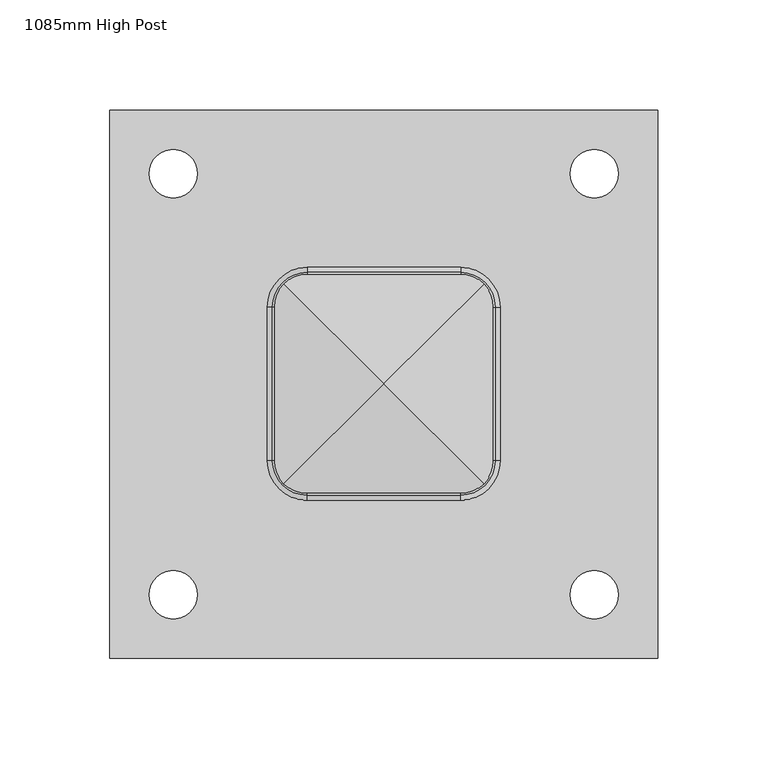
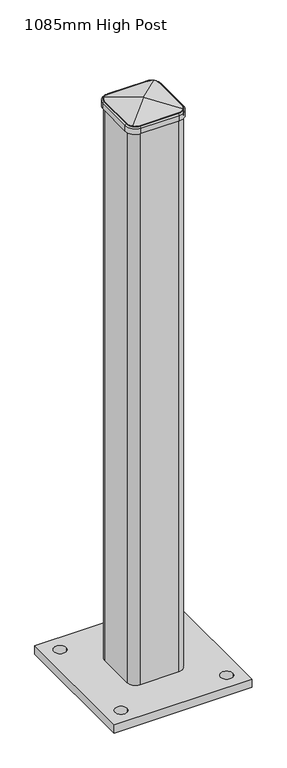
"""IFC4 building model written with IfcOpenShell, lengths in millimetres: proxy geometry, 1085mm High Post."""

from ifc_helpers import new_model, si_unit, point, frame, origin, place, context, project, spatial, polyline, circle_curve, ellipse_curve, trimmed, source, transform, mapped, element, save
from ifc_brep_helpers import plane_surface, cylinder_surface, revolved_surface, advanced_brep


def proxy_1085mm_high_post_5b782884(model_context):
    return source(origin(), model_context, "Body", "AdvancedBrep", [
        advanced_brep(
        [(125.0, 125.0, 16.0), (-125.0, 125.0, 16.0), (-125.0, -125.0, 16.0), (125.0, -125.0, 16.0), (-107.0, 96.0, 16.0), (-85.0, 96.0, 16.0), (-107.0, -96.0, 16.0), (-85.0, -96.0, 16.0), (85.0, 96.0, 16.0), (107.0, 96.0, 16.0), (85.0, -96.0, 16.0), (107.0, -96.0, 16.0), (-35.0, 50.0, 16.0), (35.0, 50.0, 16.0), (50.0, 35.0, 16.0), (50.0, -35.0, 16.0), (35.0, -50.0, 16.0), (-35.0, -50.0, 16.0), (-50.0, -35.0, 16.0), (-50.0, 35.0, 16.0), (44.0, 35.0, 16.0), (35.0, 44.0, 16.0), (-35.0, 44.0, 16.0), (-44.0, 35.0, 16.0), (-44.0, -35.0, 16.0), (-35.0, -44.0, 16.0), (35.0, -44.0, 16.0), (44.0, -35.0, 16.0), (125.0, 125.0, 0.0), (125.0, -125.0, 0.0), (-125.0, -125.0, 0.0), (-125.0, 125.0, 0.0), (-107.0, 96.0, 0.0), (-85.0, 96.0, 0.0), (-107.0, -96.0, 0.0), (-85.0, -96.0, 0.0), (85.0, 96.0, 0.0), (107.0, 96.0, 0.0), (85.0, -96.0, 0.0), (107.0, -96.0, 0.0), (35.0, 50.0, 1085.0), (-35.0, 50.0, 1085.0), (-50.0, 35.0, 1085.0), (-50.0, -35.0, 1085.0), (-35.0, -50.0, 1085.0), (35.0, -50.0, 1085.0), (50.0, -35.0, 1085.0), (50.0, 35.0, 1085.0), (35.0, 44.0, 1085.0), (44.0, 35.0, 1085.0), (44.0, -35.0, 1085.0), (35.0, -44.0, 1085.0), (-35.0, -44.0, 1085.0), (-44.0, -35.0, 1085.0), (-44.0, 35.0, 1085.0), (-35.0, 44.0, 1085.0)],
        [
            (0, 1),
            (1, 2),
            (2, 3),
            (3, 0),
            (4, 5, circle_curve(frame((-96.0, 96.0, 16.0), z_axis=(0.0, 0.0, -1.0), x_axis=(1.0, 0.0, 0.0)), 11.0)),
            (5, 4, circle_curve(frame((-96.0, 96.0, 16.0), z_axis=(0.0, 0.0, -1.0), x_axis=(1.0, 0.0, 0.0)), 11.0)),
            (6, 7, circle_curve(frame((-96.0, -96.0, 16.0), z_axis=(0.0, 0.0, -1.0), x_axis=(1.0, 0.0, 0.0)), 11.0)),
            (7, 6, circle_curve(frame((-96.0, -96.0, 16.0), z_axis=(0.0, 0.0, -1.0), x_axis=(1.0, 0.0, 0.0)), 11.0)),
            (8, 9, circle_curve(frame((96.0, 96.0, 16.0), z_axis=(0.0, 0.0, -1.0), x_axis=(1.0, 0.0, 0.0)), 11.0)),
            (9, 8, circle_curve(frame((96.0, 96.0, 16.0), z_axis=(0.0, 0.0, -1.0), x_axis=(1.0, 0.0, 0.0)), 11.0)),
            (10, 11, circle_curve(frame((96.0, -96.0, 16.0), z_axis=(0.0, 0.0, -1.0), x_axis=(1.0, 0.0, 0.0)), 11.0)),
            (11, 10, circle_curve(frame((96.0, -96.0, 16.0), z_axis=(0.0, 0.0, -1.0), x_axis=(1.0, 0.0, 0.0)), 11.0)),
            (12, 13),
            (13, 14, circle_curve(frame((35.0, 35.0, 16.0), z_axis=(0.0, 0.0, -1.0), x_axis=(-1.0, 0.0, 0.0)), 15.0)),
            (14, 15),
            (15, 16, circle_curve(frame((35.0, -35.0, 16.0), z_axis=(0.0, 0.0, -1.0), x_axis=(-1.0, 0.0, 0.0)), 15.0)),
            (16, 17),
            (17, 18, circle_curve(frame((-35.0, -35.0, 16.0), z_axis=(0.0, 0.0, -1.0), x_axis=(-1.0, 0.0, 0.0)), 15.0)),
            (18, 19),
            (19, 12, circle_curve(frame((-35.0, 35.0, 16.0), z_axis=(0.0, 0.0, -1.0), x_axis=(-1.0, 0.0, 0.0)), 15.0)),
            (20, 21, circle_curve(frame((35.0, 35.0, 16.0), z_axis=(0.0, 0.0, 1.0), x_axis=(-1.0, 0.0, 0.0)), 9.0)),
            (21, 22),
            (22, 23, circle_curve(frame((-35.0, 35.0, 16.0), z_axis=(0.0, 0.0, 1.0), x_axis=(-1.0, 0.0, 0.0)), 9.0)),
            (23, 24),
            (24, 25, circle_curve(frame((-35.0, -35.0, 16.0), z_axis=(0.0, 0.0, 1.0), x_axis=(-1.0, 0.0, 0.0)), 9.0)),
            (25, 26),
            (26, 27, circle_curve(frame((35.0, -35.0, 16.0), z_axis=(0.0, 0.0, 1.0), x_axis=(-1.0, 0.0, 0.0)), 9.0)),
            (27, 20),
            (28, 29),
            (29, 30),
            (30, 31),
            (31, 28),
            (32, 33, circle_curve(frame((-96.0, 96.0, 0.0), z_axis=(0.0, 0.0, 1.0), x_axis=(1.0, 0.0, 0.0)), 11.0)),
            (33, 32, circle_curve(frame((-96.0, 96.0, 0.0), z_axis=(0.0, 0.0, 1.0), x_axis=(1.0, 0.0, 0.0)), 11.0)),
            (34, 35, circle_curve(frame((-96.0, -96.0, 0.0), z_axis=(0.0, 0.0, 1.0), x_axis=(1.0, 0.0, 0.0)), 11.0)),
            (35, 34, circle_curve(frame((-96.0, -96.0, 0.0), z_axis=(0.0, 0.0, 1.0), x_axis=(1.0, 0.0, 0.0)), 11.0)),
            (36, 37, circle_curve(frame((96.0, 96.0, 0.0), z_axis=(0.0, 0.0, 1.0), x_axis=(1.0, 0.0, 0.0)), 11.0)),
            (37, 36, circle_curve(frame((96.0, 96.0, 0.0), z_axis=(0.0, 0.0, 1.0), x_axis=(1.0, 0.0, 0.0)), 11.0)),
            (38, 39, circle_curve(frame((96.0, -96.0, 0.0), z_axis=(0.0, 0.0, 1.0), x_axis=(1.0, 0.0, 0.0)), 11.0)),
            (39, 38, circle_curve(frame((96.0, -96.0, 0.0), z_axis=(0.0, 0.0, 1.0), x_axis=(1.0, 0.0, 0.0)), 11.0)),
            (0, 28),
            (31, 1),
            (30, 2),
            (29, 3),
            (4, 32),
            (33, 5),
            (6, 34),
            (35, 7),
            (8, 36),
            (37, 9),
            (10, 38),
            (39, 11),
            (40, 41),
            (41, 42, circle_curve(frame((-35.0, 35.0, 1085.0), z_axis=(0.0, 0.0, 1.0), x_axis=(-1.0, 0.0, 0.0)), 15.0)),
            (42, 43),
            (43, 44, circle_curve(frame((-35.0, -35.0, 1085.0), z_axis=(0.0, 0.0, 1.0), x_axis=(-1.0, 0.0, 0.0)), 15.0)),
            (44, 45),
            (45, 46, circle_curve(frame((35.0, -35.0, 1085.0), z_axis=(0.0, 0.0, 1.0), x_axis=(-1.0, 0.0, 0.0)), 15.0)),
            (46, 47),
            (47, 40, circle_curve(frame((35.0, 35.0, 1085.0), z_axis=(0.0, 0.0, 1.0), x_axis=(-1.0, 0.0, 0.0)), 15.0)),
            (48, 49, circle_curve(frame((35.0, 35.0, 1085.0), z_axis=(0.0, 0.0, -1.0), x_axis=(-1.0, 0.0, 0.0)), 9.0)),
            (49, 50),
            (50, 51, circle_curve(frame((35.0, -35.0, 1085.0), z_axis=(0.0, 0.0, -1.0), x_axis=(-1.0, 0.0, 0.0)), 9.0)),
            (51, 52),
            (52, 53, circle_curve(frame((-35.0, -35.0, 1085.0), z_axis=(0.0, 0.0, -1.0), x_axis=(-1.0, 0.0, 0.0)), 9.0)),
            (53, 54),
            (54, 55, circle_curve(frame((-35.0, 35.0, 1085.0), z_axis=(0.0, 0.0, -1.0), x_axis=(-1.0, 0.0, 0.0)), 9.0)),
            (55, 48),
            (40, 13),
            (12, 41),
            (19, 42),
            (18, 43),
            (17, 44),
            (16, 45),
            (15, 46),
            (14, 47),
            (48, 21),
            (20, 49),
            (27, 50),
            (26, 51),
            (25, 52),
            (24, 53),
            (23, 54),
            (22, 55),
        ],
        [
            plane_surface(frame((-312.0572043, 125.0, 16.0), z_axis=(0.0, 0.0, 1.0), x_axis=(-1.0, 0.0, 0.0))),
            plane_surface(frame((-312.0572043, 125.0, 0.0), z_axis=(0.0, 0.0, -1.0), x_axis=(1.0, 0.0, 0.0))),
            plane_surface(frame((125.0, 125.0, 16.0), z_axis=(0.0, 1.0, 0.0), x_axis=(0.0, 0.0, -1.0))),
            plane_surface(frame((-125.0, 125.0, 16.0), z_axis=(-1.0, 0.0, 0.0), x_axis=(0.0, 0.0, -1.0))),
            plane_surface(frame((-125.0, -125.0, 16.0), z_axis=(0.0, -1.0, 0.0), x_axis=(0.0, 0.0, -1.0))),
            plane_surface(frame((125.0, -125.0, 16.0), z_axis=(1.0, 0.0, 0.0), x_axis=(0.0, 0.0, -1.0))),
            revolved_surface(polyline([(-85.0, 96.0, 0.0), (-85.0, 96.0, 16.0)]), (-96.0, 96.0, 0.0), (0.0, 0.0, -1.0)),
            revolved_surface(polyline([(-85.0, -96.0, 0.0), (-85.0, -96.0, 16.0)]), (-96.0, -96.0, 0.0), (0.0, 0.0, -1.0)),
            revolved_surface(polyline([(107.0, 96.0, 0.0), (107.0, 96.0, 16.0)]), (96.0, 96.0, 0.0), (0.0, 0.0, -1.0)),
            revolved_surface(polyline([(107.0, -96.0, 0.0), (107.0, -96.0, 16.0)]), (96.0, -96.0, 0.0), (0.0, 0.0, -1.0)),
            plane_surface(frame((-312.0572043, 50.0, 1085.0), z_axis=(0.0, 0.0, 1.0), x_axis=(-1.0, 0.0, 0.0))),
            plane_surface(frame((35.0, 50.0, 1085.0), z_axis=(0.0, 1.0, 0.0), x_axis=(0.0, 0.0, -1.0))),
            cylinder_surface(frame((-35.0, 35.0, 16.0), z_axis=(0.0, 0.0, 1.0), x_axis=(-1.0, 0.0, 0.0)), 15.0),
            plane_surface(frame((-50.0, 35.0, 1085.0), z_axis=(-1.0, 0.0, 0.0), x_axis=(0.0, 0.0, -1.0))),
            cylinder_surface(frame((-35.0, -35.0, 16.0), z_axis=(0.0, 0.0, 1.0), x_axis=(-1.0, 0.0, 0.0)), 15.0),
            plane_surface(frame((-35.0, -50.0, 1085.0), z_axis=(0.0, -1.0, 0.0), x_axis=(0.0, 0.0, -1.0))),
            cylinder_surface(frame((35.0, -35.0, 16.0), z_axis=(0.0, 0.0, 1.0), x_axis=(-1.0, 0.0, 0.0)), 15.0),
            plane_surface(frame((50.0, -35.0, 1085.0), z_axis=(1.0, 0.0, 0.0), x_axis=(0.0, 0.0, -1.0))),
            cylinder_surface(frame((35.0, 35.0, 16.0), z_axis=(0.0, 0.0, 1.0), x_axis=(-1.0, 0.0, 0.0)), 15.0),
            revolved_surface(polyline([(26.0, 35.0, 16.0), (26.0, 35.0, 1085.0)]), (35.0, 35.0, 16.0), (0.0, 0.0, -1.0)),
            plane_surface(frame((44.0, 35.0, 1085.0), z_axis=(-1.0, 0.0, 0.0), x_axis=(0.0, 0.0, -1.0))),
            revolved_surface(polyline([(26.0, -35.0, 16.0), (26.0, -35.0, 1085.0)]), (35.0, -35.0, 16.0), (0.0, 0.0, -1.0)),
            plane_surface(frame((35.0, -44.0, 1085.0), z_axis=(0.0, 1.0, 0.0), x_axis=(0.0, 0.0, -1.0))),
            revolved_surface(polyline([(-44.0, -35.0, 16.0), (-44.0, -35.0, 1085.0)]), (-35.0, -35.0, 16.0), (0.0, 0.0, -1.0)),
            plane_surface(frame((-44.0, -35.0, 1085.0), z_axis=(1.0, 0.0, 0.0), x_axis=(0.0, 0.0, -1.0))),
            revolved_surface(polyline([(-44.0, 35.0, 16.0), (-44.0, 35.0, 1085.0)]), (-35.0, 35.0, 16.0), (0.0, 0.0, -1.0)),
            plane_surface(frame((-35.0, 44.0, 1085.0), z_axis=(0.0, -1.0, 0.0), x_axis=(0.0, 0.0, -1.0))),
        ],
        [
            (0, [[1, 2, 3, 4], [5, 6], [7, 8], [9, 10], [11, 12], [13, 14, 15, 16, 17, 18, 19, 20]]),
            (0, [[21, 22, 23, 24, 25, 26, 27, 28]]),
            (1, [[29, 30, 31, 32], [33, 34], [35, 36], [37, 38], [39, 40]]),
            (2, [[-1, 41, -32, 42]]),
            (3, [[-2, -42, -31, 43]]),
            (4, [[-3, -43, -30, 44]]),
            (5, [[-4, -44, -29, -41]]),
            (6, [[-5, 45, -34, 46]]),
            (6, [[-6, -46, -33, -45]]),
            (7, [[-7, 47, -36, 48]]),
            (7, [[-8, -48, -35, -47]]),
            (8, [[-9, 49, -38, 50]]),
            (8, [[-10, -50, -37, -49]]),
            (9, [[-11, 51, -40, 52]]),
            (9, [[-12, -52, -39, -51]]),
            (10, [[53, 54, 55, 56, 57, 58, 59, 60], [61, 62, 63, 64, 65, 66, 67, 68]]),
            (11, [[-53, 69, -13, 70]]),
            (12, [[-54, -70, -20, 71]]),
            (13, [[-55, -71, -19, 72]]),
            (14, [[-56, -72, -18, 73]]),
            (15, [[-57, -73, -17, 74]]),
            (16, [[-58, -74, -16, 75]]),
            (17, [[-59, -75, -15, 76]]),
            (18, [[-60, -76, -14, -69]]),
            (19, [[-61, 77, -21, 78]]),
            (20, [[-62, -78, -28, 79]]),
            (21, [[-63, -79, -27, 80]]),
            (22, [[-64, -80, -26, 81]]),
            (23, [[-65, -81, -25, 82]]),
            (24, [[-66, -82, -24, 83]]),
            (25, [[-67, -83, -23, 84]]),
            (26, [[-68, -84, -22, -77]]),
        ],
    ),
        advanced_brep(
        [(35.0, -50.0, 1088.0849886), (50.0, -35.0, 1088.0849886), (50.0, -35.0, 1075.0), (35.0, -50.0, 1075.0), (35.0, -53.0701411, 1075.0), (53.0701411, -35.0, 1075.0), (53.0701411, -35.0, 1084.9827329), (35.0, -53.0701411, 1084.9827329), (-35.0, -50.0, 1075.0), (-35.0, -50.0, 1088.0849886), (-35.0, -53.0701411, 1084.9827329), (-35.0, -53.0701411, 1075.0), (-50.0, -35.0, 1088.0849886), (-50.0, -35.0, 1075.0), (-53.0701411, -35.0, 1075.0), (-53.0701411, -35.0, 1084.9827329), (-50.0, 35.0, 1075.0), (-50.0, 35.0, 1088.0849886), (-53.0701411, 35.0, 1084.9827329), (-53.0701411, 35.0, 1075.0), (-35.0, 50.0, 1088.0849886), (-35.0, 50.0, 1075.0), (-35.0, 53.0701411, 1075.0), (-35.0, 53.0701411, 1084.9827329), (35.0, 50.0, 1075.0), (35.0, 50.0, 1088.0849886), (35.0, 53.0701411, 1084.9827329), (35.0, 53.0701411, 1075.0), (50.0, 35.0, 1088.0849886), (50.0, 35.0, 1075.0), (53.0701411, 35.0, 1075.0), (53.0701411, 35.0, 1084.9827329), (35.0, -50.771088, 1087.899696), (50.771088, -35.0, 1087.899696), (-35.0, -50.771088, 1087.899696), (-50.771088, -35.0, 1087.899696), (-50.771088, 35.0, 1087.899696), (-35.0, 50.771088, 1087.899696), (35.0, 50.771088, 1087.899696), (50.771088, 35.0, 1087.899696)],
        [
            (0, 1, circle_curve(frame((35.0, -35.0, 1088.0849886), z_axis=(0.0, 0.0, 1.0), x_axis=(1.0, 0.0, 0.0)), 15.0)),
            (1, 2),
            (2, 3, circle_curve(frame((35.0, -35.0, 1075.0), z_axis=(0.0, 0.0, -1.0), x_axis=(1.0, 0.0, 0.0)), 15.0)),
            (3, 0),
            (4, 5, circle_curve(frame((35.0, -35.0, 1075.0), z_axis=(0.0, 0.0, 1.0), x_axis=(1.0, 0.0, 0.0)), 18.0701411)),
            (5, 6),
            (6, 7, circle_curve(frame((35.0, -35.0, 1084.9827329), z_axis=(0.0, 0.0, -1.0), x_axis=(1.0, 0.0, 0.0)), 18.0701411)),
            (7, 4),
            (3, 8),
            (8, 9),
            (9, 0),
            (7, 10),
            (10, 11),
            (11, 4),
            (12, 9, circle_curve(frame((-35.0, -35.0, 1088.0849886), z_axis=(0.0, 0.0, 1.0), x_axis=(0.0, -1.0, 0.0)), 15.0)),
            (8, 13, circle_curve(frame((-35.0, -35.0, 1075.0), z_axis=(0.0, 0.0, -1.0), x_axis=(0.0, -1.0, 0.0)), 15.0)),
            (13, 12),
            (14, 11, circle_curve(frame((-35.0, -35.0, 1075.0), z_axis=(0.0, 0.0, 1.0), x_axis=(0.0, -1.0, 0.0)), 18.0701411)),
            (10, 15, circle_curve(frame((-35.0, -35.0, 1084.9827329), z_axis=(0.0, 0.0, -1.0), x_axis=(0.0, -1.0, 0.0)), 18.0701411)),
            (15, 14),
            (13, 16),
            (16, 17),
            (17, 12),
            (15, 18),
            (18, 19),
            (19, 14),
            (20, 17, circle_curve(frame((-35.0, 35.0, 1088.0849886), z_axis=(0.0, 0.0, 1.0), x_axis=(-1.0, 0.0, 0.0)), 15.0)),
            (16, 21, circle_curve(frame((-35.0, 35.0, 1075.0), z_axis=(0.0, 0.0, -1.0), x_axis=(-1.0, 0.0, 0.0)), 15.0)),
            (21, 20),
            (22, 19, circle_curve(frame((-35.0, 35.0, 1075.0), z_axis=(0.0, 0.0, 1.0), x_axis=(-1.0, 0.0, 0.0)), 18.0701411)),
            (18, 23, circle_curve(frame((-35.0, 35.0, 1084.9827329), z_axis=(0.0, 0.0, -1.0), x_axis=(-1.0, 0.0, 0.0)), 18.0701411)),
            (23, 22),
            (21, 24),
            (24, 25),
            (25, 20),
            (23, 26),
            (26, 27),
            (27, 22),
            (28, 25, circle_curve(frame((35.0, 35.0, 1088.0849886), z_axis=(0.0, 0.0, 1.0), x_axis=(0.0, 1.0, 0.0)), 15.0)),
            (24, 29, circle_curve(frame((35.0, 35.0, 1075.0), z_axis=(0.0, 0.0, -1.0), x_axis=(0.0, 1.0, 0.0)), 15.0)),
            (29, 28),
            (30, 27, circle_curve(frame((35.0, 35.0, 1075.0), z_axis=(0.0, 0.0, 1.0), x_axis=(0.0, 1.0, 0.0)), 18.0701411)),
            (26, 31, circle_curve(frame((35.0, 35.0, 1084.9827329), z_axis=(0.0, 0.0, -1.0), x_axis=(0.0, 1.0, 0.0)), 18.0701411)),
            (31, 30),
            (30, 5),
            (2, 29),
            (1, 28),
            (31, 6),
            (32, 33, circle_curve(frame((35.0, -35.0, 1087.899696), z_axis=(0.0, 0.0, 1.0), x_axis=(1.0, 0.0, 0.0)), 15.771088)),
            (33, 1),
            (0, 32),
            (6, 33, circle_curve(frame((50.0701411, -35.0, 1084.9827329), z_axis=(0.0, -1.0, 0.0), x_axis=(-1.0, 0.0, 0.0)), 3.0)),
            (32, 7, circle_curve(frame((35.0, -50.0701411, 1084.9827329), z_axis=(1.0, 0.0, 0.0), x_axis=(0.0, 1.0, 0.0)), 3.0)),
            (9, 34),
            (34, 32),
            (34, 10, circle_curve(frame((-35.0, -50.0701411, 1084.9827329), z_axis=(1.0, 0.0, 0.0), x_axis=(0.0, 1.0, 0.0)), 3.0)),
            (35, 34, circle_curve(frame((-35.0, -35.0, 1087.899696), z_axis=(0.0, 0.0, 1.0), x_axis=(0.0, -1.0, 0.0)), 15.771088)),
            (12, 35),
            (35, 15, circle_curve(frame((-50.0701411, -35.0, 1084.9827329), z_axis=(0.0, -1.0, 0.0), x_axis=(1.0, 0.0, 0.0)), 3.0)),
            (17, 36),
            (36, 35),
            (36, 18, circle_curve(frame((-50.0701411, 35.0, 1084.9827329), z_axis=(0.0, -1.0, 0.0), x_axis=(1.0, 0.0, 0.0)), 3.0)),
            (37, 36, circle_curve(frame((-35.0, 35.0, 1087.899696), z_axis=(0.0, 0.0, 1.0), x_axis=(-1.0, 0.0, 0.0)), 15.771088)),
            (20, 37),
            (37, 23, circle_curve(frame((-35.0, 50.0701411, 1084.9827329), z_axis=(-1.0, 0.0, 0.0), x_axis=(0.0, -1.0, 0.0)), 3.0)),
            (25, 38),
            (38, 37),
            (38, 26, circle_curve(frame((35.0, 50.0701411, 1084.9827329), z_axis=(-1.0, 0.0, 0.0), x_axis=(0.0, -1.0, 0.0)), 3.0)),
            (39, 38, circle_curve(frame((35.0, 35.0, 1087.899696), z_axis=(0.0, 0.0, 1.0), x_axis=(0.0, 1.0, 0.0)), 15.771088)),
            (28, 39),
            (39, 31, circle_curve(frame((50.0701411, 35.0, 1084.9827329), z_axis=(0.0, 1.0, 0.0), x_axis=(-1.0, 0.0, 0.0)), 3.0)),
            (33, 39),
        ],
        [
            revolved_surface(polyline([(50.0, -35.0, 1075.0), (50.0, -35.0, 1088.0849886)]), (35.0, -35.0, 1085.0), (0.0, 0.0, -1.0)),
            cylinder_surface(frame((35.0, -35.0, 1085.0), z_axis=(0.0, 0.0, -1.0), x_axis=(1.0, 0.0, 0.0)), 18.0701411),
            plane_surface(frame((35.0, -50.0, 1075.0), z_axis=(0.0, 1.0, 0.0), x_axis=(-1.0, 0.0, 0.0))),
            plane_surface(frame((35.0, -53.0701411, 1084.9827329), z_axis=(0.0, -1.0, 0.0), x_axis=(-1.0, 0.0, 0.0))),
            revolved_surface(polyline([(-35.0, -50.0, 1075.0), (-35.0, -50.0, 1088.0849886)]), (-35.0, -35.0, 1085.0), (0.0, 0.0, -1.0)),
            cylinder_surface(frame((-35.0, -35.0, 1085.0), z_axis=(0.0, 0.0, -1.0), x_axis=(0.0, -1.0, 0.0)), 18.0701411),
            plane_surface(frame((-50.0, -35.0, 1075.0), z_axis=(1.0, 0.0, 0.0), x_axis=(0.0, 1.0, 0.0))),
            plane_surface(frame((-53.0701411, -35.0, 1084.9827329), z_axis=(-1.0, 0.0, 0.0), x_axis=(0.0, 1.0, 0.0))),
            revolved_surface(polyline([(-50.0, 35.0, 1075.0), (-50.0, 35.0, 1088.0849886)]), (-35.0, 35.0, 1085.0), (0.0, 0.0, -1.0)),
            cylinder_surface(frame((-35.0, 35.0, 1085.0), z_axis=(0.0, 0.0, -1.0), x_axis=(-1.0, 0.0, 0.0)), 18.0701411),
            plane_surface(frame((-35.0, 50.0, 1075.0), z_axis=(0.0, -1.0, 0.0), x_axis=(1.0, 0.0, 0.0))),
            plane_surface(frame((-35.0, 53.0701411, 1084.9827329), z_axis=(0.0, 1.0, 0.0), x_axis=(1.0, 0.0, 0.0))),
            revolved_surface(polyline([(35.0, 50.0, 1075.0), (35.0, 50.0, 1088.0849886)]), (35.0, 35.0, 1085.0), (0.0, 0.0, -1.0)),
            cylinder_surface(frame((35.0, 35.0, 1085.0), z_axis=(0.0, 0.0, -1.0), x_axis=(0.0, 1.0, 0.0)), 18.0701411),
            plane_surface(frame((53.0701411, 35.0, 1075.0), z_axis=(0.0, 0.0, -1.0), x_axis=(0.0, -1.0, 0.0))),
            plane_surface(frame((50.0, 35.0, 1075.0), z_axis=(-1.0, 0.0, 0.0), x_axis=(0.0, -1.0, 0.0))),
            plane_surface(frame((53.0701411, 35.0, 1084.9827329), z_axis=(1.0, 0.0, 0.0), x_axis=(0.0, -1.0, 0.0))),
            revolved_surface(polyline([(50.0, -35.0, 1088.0849886), (50.771088, -35.0, 1087.899696)]), (35.0, -35.0, 1085.0), (0.0, 0.0, -1.0)),
            revolved_surface(trimmed(ellipse_curve(frame((50.0701411, -35.0, 1084.9827329), z_axis=(0.0, 1.0, 0.0), x_axis=(-1.0, 0.0, 0.0)), 3.0, 3.0), [point((50.771088, -35.0, 1087.899696))], [point((53.0701411, -35.0, 1084.9827329))], True, "CARTESIAN"), (35.0, -35.0, 1085.0), (0.0, 0.0, -1.0)),
            plane_surface(frame((35.0, -50.0, 1088.0849886), z_axis=(0.0, -0.2336489625965243, 0.9723210181198225), x_axis=(-1.0, 0.0, 0.0))),
            cylinder_surface(frame((35.0, -50.0701411, 1084.9827329), z_axis=(1.0, 0.0, 0.0), x_axis=(0.0, 1.0, 0.0)), 3.0),
            revolved_surface(polyline([(-35.0, -50.0, 1088.0849886), (-35.0, -50.771088, 1087.899696)]), (-35.0, -35.0, 1085.0), (0.0, 0.0, -1.0)),
            revolved_surface(trimmed(ellipse_curve(frame((-35.0, -50.0701411, 1084.9827329), z_axis=(1.0, 0.0, 0.0), x_axis=(0.0, 1.0, 0.0)), 3.0, 3.0), [point((-35.0, -50.771088, 1087.899696))], [point((-35.0, -53.0701411, 1084.9827329))], True, "CARTESIAN"), (-35.0, -35.0, 1085.0), (0.0, 0.0, -1.0)),
            plane_surface(frame((-50.0, -35.0, 1088.0849886), z_axis=(-0.23364896259652118, 0.0, 0.9723210181198233), x_axis=(0.0, 1.0, 0.0))),
            cylinder_surface(frame((-50.0701411, -35.0, 1084.9827329), z_axis=(0.0, -1.0, 0.0), x_axis=(1.0, 0.0, 0.0)), 3.0),
            revolved_surface(polyline([(-50.0, 35.0, 1088.0849886), (-50.771088, 35.0, 1087.899696)]), (-35.0, 35.0, 1085.0), (0.0, 0.0, -1.0)),
            revolved_surface(trimmed(ellipse_curve(frame((-50.0701411, 35.0, 1084.9827329), z_axis=(0.0, -1.0, 0.0), x_axis=(1.0, 0.0, 0.0)), 3.0, 3.0), [point((-50.771088, 35.0, 1087.899696))], [point((-53.0701411, 35.0, 1084.9827329))], True, "CARTESIAN"), (-35.0, 35.0, 1085.0), (0.0, 0.0, -1.0)),
            plane_surface(frame((-35.0, 50.0, 1088.0849886), z_axis=(0.0, 0.2336489625965243, 0.9723210181198225), x_axis=(1.0, 0.0, 0.0))),
            cylinder_surface(frame((-35.0, 50.0701411, 1084.9827329), z_axis=(-1.0, 0.0, 0.0), x_axis=(0.0, -1.0, 0.0)), 3.0),
            revolved_surface(polyline([(35.0, 50.0, 1088.0849886), (35.0, 50.771088, 1087.899696)]), (35.0, 35.0, 1085.0), (0.0, 0.0, -1.0)),
            revolved_surface(trimmed(ellipse_curve(frame((35.0, 50.0701411, 1084.9827329), z_axis=(-1.0, 0.0, 0.0), x_axis=(0.0, -1.0, 0.0)), 3.0, 3.0), [point((35.0, 50.771088, 1087.899696))], [point((35.0, 53.0701411, 1084.9827329))], True, "CARTESIAN"), (35.0, 35.0, 1085.0), (0.0, 0.0, -1.0)),
            plane_surface(frame((50.0, 35.0, 1088.0849886), z_axis=(0.2336489625965274, 0.0, 0.9723210181198217), x_axis=(0.0, -1.0, 0.0))),
            cylinder_surface(frame((50.0701411, 35.0, 1084.9827329), z_axis=(0.0, 1.0, 0.0), x_axis=(-1.0, 0.0, 0.0)), 3.0),
        ],
        [
            (0, [[1, 2, 3, 4]]),
            (1, [[5, 6, 7, 8]]),
            (2, [[-4, 9, 10, 11]]),
            (3, [[-8, 12, 13, 14]]),
            (4, [[15, -10, 16, 17]]),
            (5, [[18, -13, 19, 20]]),
            (6, [[-17, 21, 22, 23]]),
            (7, [[-20, 24, 25, 26]]),
            (8, [[27, -22, 28, 29]]),
            (9, [[30, -25, 31, 32]]),
            (10, [[-29, 33, 34, 35]]),
            (11, [[-32, 36, 37, 38]]),
            (12, [[39, -34, 40, 41]]),
            (13, [[42, -37, 43, 44]]),
            (14, [[-38, -42, 45, -5, -14, -18, -26, -30], [46, -40, -33, -28, -21, -16, -9, -3]]),
            (15, [[-41, -46, -2, 47]]),
            (16, [[-44, 48, -6, -45]]),
            (17, [[49, 50, -1, 51]]),
            (18, [[-7, 52, -49, 53]]),
            (19, [[-51, -11, 54, 55]]),
            (20, [[-53, -55, 56, -12]]),
            (21, [[57, -54, -15, 58]]),
            (22, [[-19, -56, -57, 59]]),
            (23, [[-58, -23, 60, 61]]),
            (24, [[-59, -61, 62, -24]]),
            (25, [[63, -60, -27, 64]]),
            (26, [[-31, -62, -63, 65]]),
            (27, [[-64, -35, 66, 67]]),
            (28, [[-65, -67, 68, -36]]),
            (29, [[69, -66, -39, 70]]),
            (30, [[-43, -68, -69, 71]]),
            (31, [[-70, -47, -50, 72]]),
            (32, [[-71, -72, -52, -48]]),
        ],
    ),
        advanced_brep(
        [(35.0, -50.0, 1085.0), (-35.0, -50.0, 1085.0), (-50.0, -35.0, 1085.0), (-50.0, 35.0, 1085.0), (-35.0, 50.0, 1085.0), (35.0, 50.0, 1085.0), (50.0, 35.0, 1085.0), (50.0, -35.0, 1085.0), (50.0, -35.0, 1088.0849886), (45.7469626, -45.4643583, 1089.1069944), (35.0, -50.0, 1088.0103038), (50.0, 35.0, 1088.0849886), (35.0, 50.0, 1088.0185426), (45.7316142, 45.4800981, 1089.1106827), (-35.0, 50.0, 1088.0185426), (-50.0, 35.0, 1088.0767498), (-45.7161577, 45.4959022, 1089.1068639), (-50.0, -35.0, 1088.0767498), (-35.0, -50.0, 1088.0103038), (-45.7315293, -45.4801851, 1089.1031676), (0.0, 0.0, 1100.1)],
        [
            (0, 1),
            (1, 2, circle_curve(frame((-35.0, -35.0, 1085.0), z_axis=(0.0, 0.0, -1.0), x_axis=(-1.0, 0.0, 0.0)), 15.0)),
            (2, 3),
            (3, 4, circle_curve(frame((-35.0, 35.0, 1085.0), z_axis=(0.0, 0.0, -1.0), x_axis=(-1.0, 0.0, 0.0)), 15.0)),
            (4, 5),
            (5, 6, circle_curve(frame((35.0, 35.0, 1085.0), z_axis=(0.0, 0.0, -1.0), x_axis=(-1.0, 0.0, 0.0)), 15.0)),
            (6, 7),
            (7, 0, circle_curve(frame((35.0, -35.0, 1085.0), z_axis=(0.0, 0.0, -1.0), x_axis=(-1.0, 0.0, 0.0)), 15.0)),
            (7, 8),
            (8, 9, ellipse_curve(frame((35.0, -35.0, 1091.689492), z_axis=(-0.23364896259640924, 0.0, -0.9723210181198501), x_axis=(-0.9723210181198501, 0.0, 0.23364896259640877)), 15.4270038, 15.0)),
            (9, 10, ellipse_curve(frame((35.0, -35.0, 1091.6372127), z_axis=(0.0, 0.23502132736442966, -0.9719902137798825), x_axis=(0.0, 0.9719902137798826, 0.23502132736442943)), 15.4322541, 15.0)),
            (10, 0),
            (6, 11),
            (11, 8),
            (5, 12),
            (12, 13, ellipse_curve(frame((35.0, 35.0, 1091.6429798), z_axis=(0.0, -0.23487000452304294, -0.9720267902559815), x_axis=(0.0, -0.9720267902559816, 0.2348700045230426)), 15.4316734, 15.0)),
            (13, 11, ellipse_curve(frame((35.0, 35.0, 1091.689492), z_axis=(-0.23364896259640924, 0.0, -0.9723210181198501), x_axis=(-0.9723210181198501, 0.0, 0.23364896259640877)), 15.4270038, 15.0)),
            (4, 14),
            (14, 12),
            (3, 15),
            (15, 16, ellipse_curve(frame((-35.0, 35.0, 1091.6837248), z_axis=(0.23380042293528167, 0.0, -0.9722846096875561), x_axis=(0.972284609687556, 0.0, 0.2338004229352819)), 15.4275814, 15.0)),
            (16, 14, ellipse_curve(frame((-35.0, 35.0, 1091.6429798), z_axis=(0.0, -0.23487000452304294, -0.9720267902559815), x_axis=(0.0, -0.9720267902559816, 0.2348700045230426)), 15.4316734, 15.0)),
            (2, 17),
            (17, 15),
            (1, 18),
            (18, 19, ellipse_curve(frame((-35.0, -35.0, 1091.6372127), z_axis=(0.0, 0.23502132736442966, -0.9719902137798825), x_axis=(0.0, 0.9719902137798826, 0.23502132736442943)), 15.4322541, 15.0)),
            (19, 17, ellipse_curve(frame((-35.0, -35.0, 1091.6837248), z_axis=(0.23380042293528167, 0.0, -0.9722846096875561), x_axis=(0.972284609687556, 0.0, 0.2338004229352819)), 15.4275814, 15.0)),
            (10, 18),
            (19, 20),
            (20, 16),
            (13, 20),
            (20, 9),
        ],
        [
            plane_surface(frame((20.0, -35.0, 1085.0), z_axis=(0.0, 0.0, -1.0), x_axis=(0.0, 1.0, 0.0))),
            cylinder_surface(frame((35.0, -35.0, 1085.0), z_axis=(0.0, 0.0, 1.0), x_axis=(-1.0, 0.0, 0.0)), 15.0),
            plane_surface(frame((50.0, -35.0, 1100.1), z_axis=(1.0, 0.0, 0.0), x_axis=(0.0, 0.0, -1.0))),
            cylinder_surface(frame((35.0, 35.0, 1085.0), z_axis=(0.0, 0.0, 1.0), x_axis=(-1.0, 0.0, 0.0)), 15.0),
            plane_surface(frame((35.0, 50.0, 1100.1), z_axis=(0.0, 1.0, 0.0), x_axis=(0.0, 0.0, -1.0))),
            cylinder_surface(frame((-35.0, 35.0, 1085.0), z_axis=(0.0, 0.0, 1.0), x_axis=(-1.0, 0.0, 0.0)), 15.0),
            plane_surface(frame((-50.0, 35.0, 1100.1), z_axis=(-1.0, 0.0, 0.0), x_axis=(0.0, 0.0, -1.0))),
            cylinder_surface(frame((-35.0, -35.0, 1085.0), z_axis=(0.0, 0.0, 1.0), x_axis=(-1.0, 0.0, 0.0)), 15.0),
            plane_surface(frame((-35.0, -50.0, 1100.1), z_axis=(0.0, -1.0, 0.0), x_axis=(0.0, 0.0, -1.0))),
            plane_surface(frame((-50.0, -50.0, 1088.0767498), z_axis=(-0.23380042293528167, 0.0, 0.9722846096875561), x_axis=(0.0, 1.0, 0.0))),
            plane_surface(frame((0.0, -50.0, 1100.1), z_axis=(0.23364896259640924, 0.0, 0.9723210181198501), x_axis=(0.0, 1.0, 0.0))),
            plane_surface(frame((-50.0, 0.0, 1100.1), z_axis=(0.0, -0.23502132736442966, 0.9719902137798825), x_axis=(1.0, 0.0, 0.0))),
            plane_surface(frame((-50.0, 50.0, 1088.0185426), z_axis=(0.0, 0.23487000452304294, 0.9720267902559815), x_axis=(1.0, 0.0, 0.0))),
        ],
        [
            (0, [[1, 2, 3, 4, 5, 6, 7, 8]]),
            (1, [[-8, 9, 10, 11, 12]]),
            (2, [[-7, 13, 14, -9]]),
            (3, [[-6, 15, 16, 17, -13]]),
            (4, [[-5, 18, 19, -15]]),
            (5, [[-4, 20, 21, 22, -18]]),
            (6, [[-3, 23, 24, -20]]),
            (7, [[-2, 25, 26, 27, -23]]),
            (8, [[-1, -12, 28, -25]]),
            (9, [[-24, -27, 29, 30, -21]]),
            (10, [[-14, -17, 31, 32, -10]]),
            (11, [[-11, -32, -29, -26, -28]]),
            (12, [[-16, -19, -22, -30, -31]]),
        ],
    ),
    ])


if __name__ == "__main__":
    model = new_model("IFC4")
    model_context = context("Model", 3, world=origin())
    ifc_project = project(units=[si_unit("LENGTHUNIT", "METRE", prefix="MILLI")], contexts=[model_context])
    site = spatial("IfcSite", under=ifc_project)
    building = spatial("IfcBuilding", under=site)
    placement = place(None, origin())
    proxy_1085mm_high_post_shape = proxy_1085mm_high_post_5b782884(model_context)
    element("IfcBuildingElementProxy", 1, Name="1085mm High Post", ObjectType="1085mm High Post", at=placement, inside=building, context=model_context, shape_type="MappedRepresentation", body=[
        mapped(proxy_1085mm_high_post_shape, transform((0.0, 0.0, 0.0), x_axis=(1.0, 0.0, 0.0), y_axis=(0.0, 1.0, 0.0), z_axis=(0.0, 0.0, 1.0))),
    ])
    save(model, "model.ifc")
